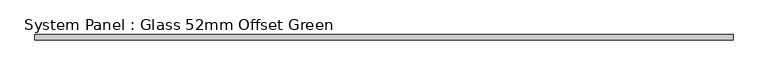
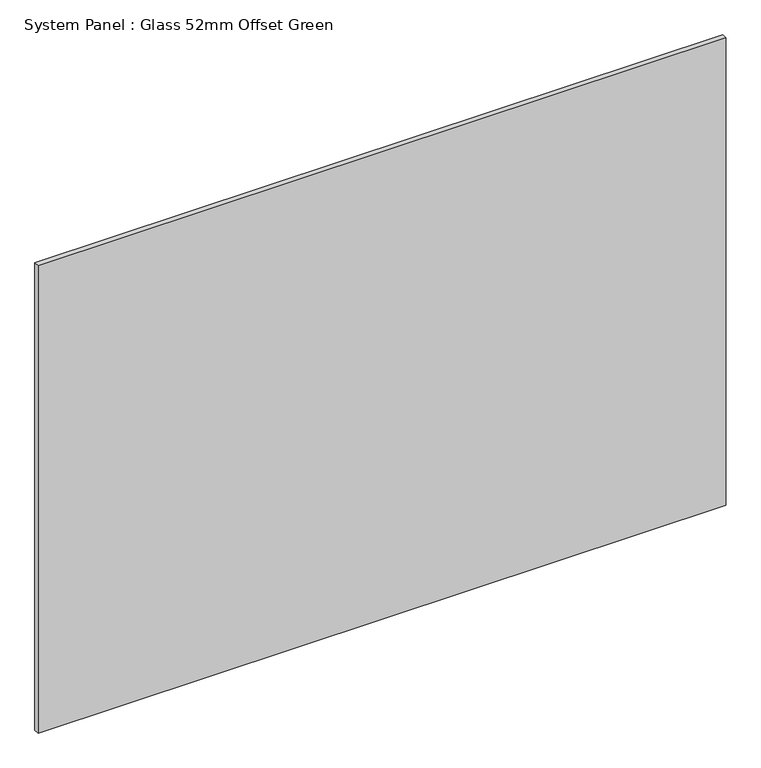
"""IFC4 building model written with IfcOpenShell, lengths in millimetres: plate geometry, System Panel : Glass 52mm Offset Green."""

from ifc_helpers import new_model, si_unit, origin, origin_with_axes, place, context, project, spatial, polyline, outline, extrude, source, transform, mapped, element, save


def system_panel_glass_52mm_offset_green_ad4872e8(model_context):
    return source(origin(), model_context, "Body", "SweptSolid", [
        extrude(outline(polyline([(642.2127009, -57.0), (-642.2127009, -57.0), (-642.2127009, -47.0), (642.2127009, -47.0), (642.2127009, -57.0)])), origin_with_axes(), (0.0, 0.0, 1.0), 921.5045338),
    ])


if __name__ == "__main__":
    model = new_model("IFC4")
    model_context = context("Model", 3, world=origin())
    ifc_project = project(units=[si_unit("LENGTHUNIT", "METRE", prefix="MILLI")], contexts=[model_context])
    site = spatial("IfcSite", under=ifc_project)
    building = spatial("IfcBuilding", under=site)
    placement = place(None, origin())
    system_panel_glass_52mm_offset_green_shape = system_panel_glass_52mm_offset_green_ad4872e8(model_context)
    element("IfcPlate", 1, ObjectType="System Panel : Glass 52mm Offset Green", at=placement, inside=building, context=model_context, shape_type="MappedRepresentation", body=[
        mapped(system_panel_glass_52mm_offset_green_shape, transform((0.0, 0.0, 0.0), x_axis=(1.0, 0.0, 0.0), y_axis=(0.0, 1.0, 0.0), z_axis=(0.0, 0.0, 1.0))),
    ])
    save(model, "model.ifc")
